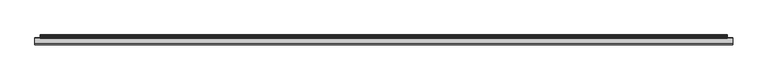
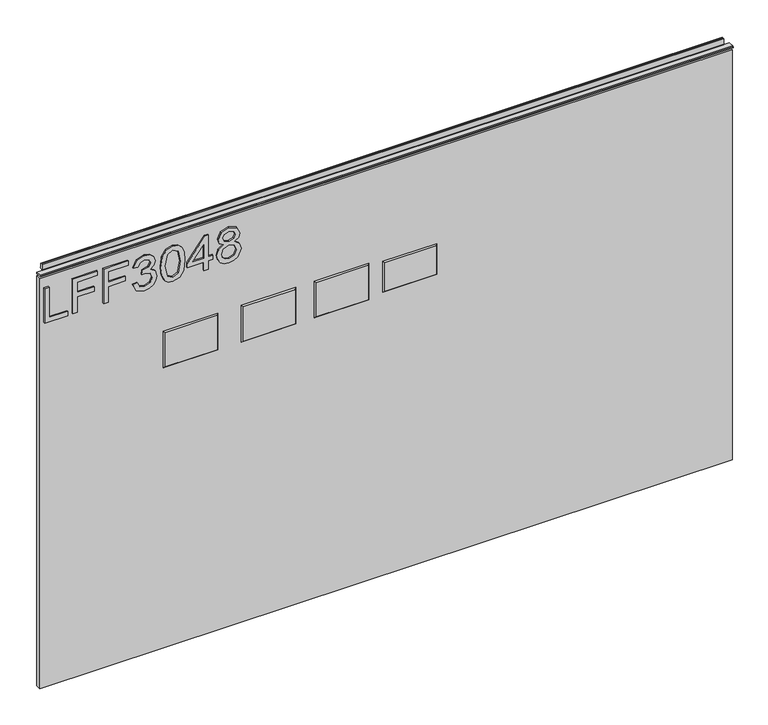
"""IFC4 building model written with IfcOpenShell, lengths in millimetres: furniture geometry."""

from ifc_helpers import new_model, si_unit, frame, origin, place, context, project, spatial, polyline, outline, extrude, faceted_brep, source, transform, mapped, element, save


def furniture_ef12b78c(model_context):
    return source(origin(), model_context, "Body", "SolidModel", [
        extrude(outline(polyline([(773.6078, -291.2164221), (773.6078, -251.347824), (781.5815196, -251.347824), (781.5815196, -283.2427025), (837.3975569, -283.2427025), (837.3975569, -291.2164221), (773.6078, -291.2164221)])), frame((0.0, -5.5495814, 0.0), z_axis=(0.0, 1.0, 0.0), x_axis=(0.0, 0.0, 1.0)), (0.0, 0.0, 1.0), 2.38125),
        extrude(outline(polyline([(773.6078, -242.3773894), (773.6078, -234.4036698), (802.5125336, -234.4036698), (802.5125336, -204.5022213), (810.4862532, -204.5022213), (810.4862532, -234.4036698), (829.4238373, -234.4036698), (829.4238373, -199.5186465), (837.3975569, -199.5186465), (837.3975569, -242.3773894), (773.6078, -242.3773894)])), frame((0.0, -5.5495814, 0.0), z_axis=(0.0, 1.0, 0.0), x_axis=(0.0, 0.0, 1.0)), (0.0, 0.0, 1.0), 2.38125),
        extrude(outline(polyline([(773.6078, -188.554782), (773.6078, -180.5810624), (802.5125336, -180.5810624), (802.5125336, -150.6796138), (810.4862532, -150.6796138), (810.4862532, -180.5810624), (829.4238373, -180.5810624), (829.4238373, -145.6960391), (837.3975569, -145.6960391), (837.3975569, -188.554782), (773.6078, -188.554782)])), frame((0.0, -5.5495814, 0.0), z_axis=(0.0, 1.0, 0.0), x_axis=(0.0, 0.0, 1.0)), (0.0, 0.0, 1.0), 2.38125),
        extrude(outline(polyline([(790.5519542, -137.7223194), (777.6102335, -131.3838353), (772.611085, -117.3986786), (774.0750101, -108.8759871), (778.4667854, -101.9651705), (784.9610063, -97.3865112), (792.7322681, -95.8602915), (803.1043331, -98.912731), (808.555118, -107.6028395), (813.8345925, -101.0618976), (821.1853653, -98.8504363), (829.2291664, -101.1787001), (835.2094562, -107.9065261), (837.3975569, -117.523268), (832.9590607, -130.2002363), (820.4534028, -136.7256045), (819.4566878, -128.7518849), (826.9320499, -124.8428934), (829.4238373, -117.2429419), (826.9554105, -109.7364324), (820.7181552, -106.8241559), (813.6788558, -110.8421631), (811.4829682, -121.167507), (803.5092486, -122.0552063), (804.3813742, -116.4642584), (801.11869, -107.4003818), (792.8724312, -103.8340111), (784.120028, -107.4315291), (780.5848047, -117.1183525), (783.1544604, -125.3490377), (791.5486691, -129.7485998), (790.5519542, -137.7223194)])), frame((0.0, -5.5495814, 0.0), z_axis=(0.0, 1.0, 0.0), x_axis=(0.0, 0.0, 1.0)), (0.0, 0.0, 1.0), 2.38125),
        extrude(outline(polyline([(804.9887473, -88.8832868), (789.4734775, -87.2947723), (778.6848168, -82.529229), (774.129518, -76.2374658), (772.611085, -67.9522728), (776.1073742, -56.2798063), (786.7130443, -49.3417358), (804.9887473, -47.0212588), (819.9784058, -48.4696102), (829.4160505, -52.2072913), (835.3418324, -58.6392175), (837.3975569, -67.9522728), (833.9246283, -79.5780183), (823.3423188, -86.5394493), (804.9887473, -88.8832868)]), holes=[polyline([(805.004321, -80.9095672), (825.1566514, -77.0472967), (829.4238373, -68.0457148), (824.5804256, -58.6080701), (805.004321, -54.9949784), (785.2179718, -58.7326595), (780.5848047, -67.9522728), (785.2023982, -77.1718861), (805.004321, -80.9095672)])]), frame((0.0, -5.5495814, 0.0), z_axis=(0.0, 1.0, 0.0), x_axis=(0.0, 0.0, 1.0)), (0.0, 0.0, 1.0), 2.38125),
        extrude(outline(polyline([(773.6078, -14.1296654), (773.6078, -6.1559457), (788.5585243, -6.1559457), (788.5585243, 1.8177739), (796.5322439, 1.8177739), (796.5322439, -6.1559457), (836.400842, -6.1559457), (836.400842, -12.1362355), (796.5322439, -43.034399), (788.5585243, -43.034399), (788.5585243, -14.1296654), (773.6078, -14.1296654)]), holes=[polyline([(796.5322439, -14.1296654), (796.5322439, -33.2229862), (821.1697916, -14.1296654), (796.5322439, -14.1296654)])]), frame((0.0, -5.5495814, 0.0), z_axis=(0.0, 1.0, 0.0), x_axis=(0.0, 0.0, 1.0)), (0.0, 0.0, 1.0), 2.38125),
        extrude(outline(polyline([(808.7420021, 20.4127372), (802.9485964, 11.8160707), (792.3896474, 8.7947785), (784.6320125, 10.2353431), (778.2721145, 14.5570369), (774.0263424, 21.2303549), (772.611085, 29.7257925), (774.0205023, 38.2212301), (778.248754, 44.8945482), (792.171616, 50.6568065), (802.4891731, 47.7523169), (808.7420021, 39.2724529), (813.671069, 46.3351128), (821.1853653, 48.6633766), (832.6787346, 43.4306231), (837.3975569, 29.6167768), (832.7877503, 15.9275199), (821.4033967, 10.7882084), (813.6944295, 13.1476196), (808.7420021, 20.4127372)]), holes=[polyline([(821.1697916, 18.7619281), (826.9943446, 21.6352704), (829.4238373, 29.7257925), (826.9398368, 37.7929542), (820.8115972, 40.689657), (814.8936022, 37.8863962), (812.4796831, 29.8192346), (814.9091758, 21.5885494), (821.1697916, 18.7619281)]), polyline([(792.6699735, 16.7684982), (801.1264769, 20.140198), (804.5059635, 29.5233348), (801.0797559, 39.1790109), (792.4207947, 42.6830869), (783.9253571, 39.2880266), (780.5848047, 29.7880872), (782.1733191, 22.8110826), (786.6663232, 18.100047), (792.6699735, 16.7684982)])]), frame((0.0, -5.5495814, 0.0), z_axis=(0.0, 1.0, 0.0), x_axis=(0.0, 0.0, 1.0)), (0.0, 0.0, 1.0), 2.38125),
        faceted_brep([(390.652, -5.2069939, 677.1132), (300.99, -5.2069939, 677.1132), (300.99, -5.2069939, 625.0432), (390.652, -5.2069939, 625.0432), (392.938, -3.1749939, 679.3992), (392.938, -3.1749939, 622.7572), (298.704, -3.1749939, 622.7572), (298.704, -3.1749939, 679.3992)], [[[0, 1, 2, 3]], [[4, 5, 6, 7]], [[4, 7, 1, 0]], [[7, 6, 2, 1]], [[6, 5, 3, 2]], [[5, 4, 0, 3]]]),
        faceted_brep([(272.4023, -5.2069939, 682.5742), (181.7243, -5.2069939, 682.5742), (181.7243, -5.2069939, 619.5822), (272.4023, -5.2069939, 619.5822), (274.6883, -3.1749939, 684.8602), (274.6883, -3.1749939, 617.2962), (179.4383, -3.1749939, 617.2962), (179.4383, -3.1749939, 684.8602)], [[[0, 1, 2, 3]], [[4, 5, 6, 7]], [[4, 7, 1, 0]], [[7, 6, 2, 1]], [[6, 5, 3, 2]], [[5, 4, 0, 3]]]),
        faceted_brep([(145.4023, -5.2069939, 682.5742), (54.7243, -5.2069939, 682.5742), (54.7243, -5.2069939, 619.5822), (145.4023, -5.2069939, 619.5822), (147.6883, -3.1749939, 684.8602), (147.6883, -3.1749939, 617.2962), (52.4383, -3.1749939, 617.2962), (52.4383, -3.1749939, 684.8602)], [[[0, 1, 2, 3]], [[4, 5, 6, 7]], [[4, 7, 1, 0]], [[7, 6, 2, 1]], [[6, 5, 3, 2]], [[5, 4, 0, 3]]]),
        faceted_brep([(9.6647, -5.2069939, 682.5742), (-81.0133, -5.2069939, 682.5742), (-81.0133, -5.2069939, 619.5822), (9.6647, -5.2069939, 619.5822), (11.9507, -3.1749939, 684.8602), (11.9507, -3.1749939, 617.2962), (-83.2993, -3.1749939, 617.2962), (-83.2993, -3.1749939, 684.8602)], [[[0, 1, 2, 3]], [[4, 5, 6, 7]], [[4, 7, 1, 0]], [[7, 6, 2, 1]], [[6, 5, 3, 2]], [[5, 4, 0, 3]]]),
        extrude(outline(polyline([(-298.196, 6.3500061), (907.288, 6.3500061), (907.288, -3.1749939), (-298.196, -3.1749939), (-298.196, 6.3500061)])), frame((0.0, 0.0, 101.6), z_axis=(0.0, 0.0, 1.0), x_axis=(1.0, 0.0, 0.0)), (0.0, 0.0, 1.0), 754.5578),
        extrude(outline(polyline([(5.5562561, 863.6), (6.3500061, 863.6), (6.3500061, 873.47425), (7.1437561, 874.268), (8.6677569, 874.268), (10.0084363, 873.8506926), (10.875413, 872.7461816), (10.9623604, 871.3447591), (10.2390011, 868.3863459), (10.4046103, 867.1833307), (11.6746103, 864.9836103), (10.7786383, 864.4663244), (7.1437561, 864.4663244), (7.1437561, 863.6), (6.3500061, 863.3669239), (6.3500061, 856.1578), (5.5562561, 856.1578), (5.5562561, 863.6)])), frame((-288.671, 0.0, 0.0), z_axis=(1.0, 0.0, 0.0), x_axis=(0.0, 1.0, 0.0)), (0.0, 0.0, 1.0), 1186.434),
        extrude(outline(polyline([(5.5562561, 863.6), (5.5562561, 860.4249996), (-3.975094, 860.4249996), (-5.3492339, 861.2183657), (-5.3492339, 862.8066395), (-3.9751037, 863.6), (5.5562561, 863.6)])), frame((-298.196, 0.0, 0.0), z_axis=(1.0, 0.0, 0.0), x_axis=(0.0, 1.0, 0.0)), (0.0, 0.0, 1.0), 1205.484),
    ])


if __name__ == "__main__":
    model = new_model("IFC4")
    model_context = context("Model", 3, world=origin())
    ifc_project = project(units=[si_unit("LENGTHUNIT", "METRE", prefix="MILLI")], contexts=[model_context])
    site = spatial("IfcSite", under=ifc_project)
    building = spatial("IfcBuilding", under=site)
    placement = place(None, origin())
    furniture_shape = furniture_ef12b78c(model_context)
    element("IfcFurniture", 1, at=placement, inside=building, context=model_context, shape_type="MappedRepresentation", body=[
        mapped(furniture_shape, transform((0.0, 0.0, 0.0), x_axis=(1.0, 0.0, 0.0), y_axis=(0.0, 1.0, 0.0), z_axis=(0.0, 0.0, 1.0))),
    ])
    save(model, "model.ifc")
